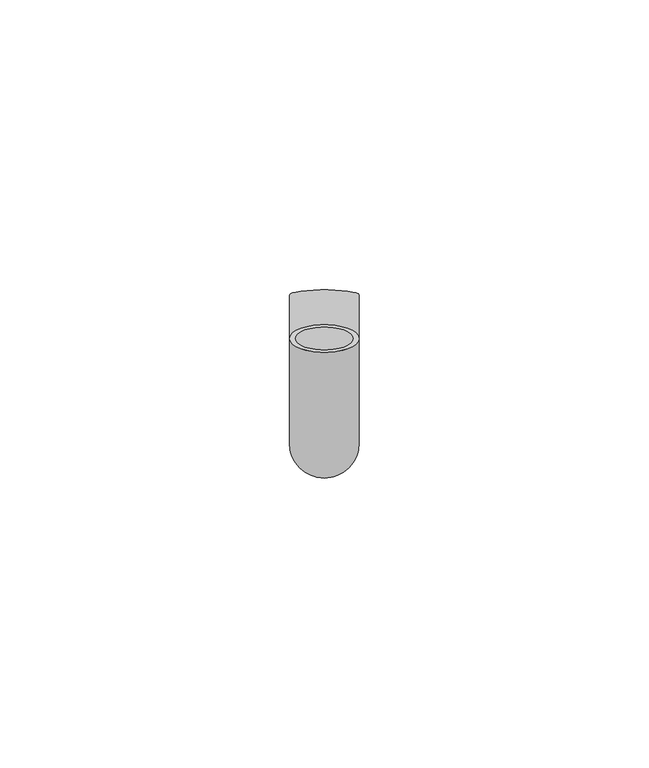
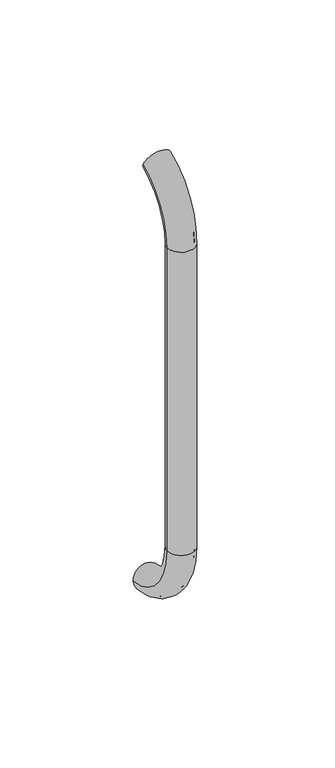
"""IFC4 building model written with IfcOpenShell, lengths in millimetres: beam geometry."""

from ifc_helpers import new_model, si_unit, point, frame, origin, place, context, project, spatial, polyline, circle_curve, ellipse_curve, trimmed, source, transform, mapped, element, save
from ifc_brep_helpers import plane_surface, cylinder_surface, revolved_surface, advanced_brep


def beam_fac276e9(model_context):
    return source(origin(), model_context, "Body", "AdvancedBrep", [
        advanced_brep(
        [(4661.4386176, 2444.0395554, 1993.7787656), (4673.4386176, 2444.0395554, 1993.7787656), (4662.4386176, 2444.0395554, 1993.7787656), (4672.4386176, 2444.0395554, 1993.7787656), (4672.4386176, 2425.9629385, 1966.25), (4662.4386176, 2425.9629385, 1966.25), (4673.4386176, 2425.9629385, 1966.25), (4661.4386176, 2425.9629385, 1966.25), (4662.4386176, 2425.9629385, 1826.25), (4672.4386176, 2425.9629385, 1826.25), (4661.4386176, 2425.9629385, 1826.25), (4673.4386176, 2425.9629385, 1826.25), (4661.4386176, 2451.5825147, 1796.5715249), (4673.4386176, 2451.5825147, 1796.5715249), (4662.4386176, 2451.5825147, 1796.5715249), (4672.4386176, 2451.5825147, 1796.5715249)],
        [
            (0, 1, circle_curve(frame((4667.4386176, 2444.0395554, 1993.7787656), z_axis=(0.0, 0.9176255197351176, 0.3974461039321624), x_axis=(1.0, 0.0, 0.0)), 6.0)),
            (1, 0, circle_curve(frame((4667.4386176, 2444.0395554, 1993.7787656), z_axis=(0.0, 0.9176255197351176, 0.3974461039321624), x_axis=(1.0, 0.0, 0.0)), 6.0)),
            (2, 3, circle_curve(frame((4667.4386176, 2444.0395554, 1993.7787656), z_axis=(0.0, -0.9176255197351176, -0.3974461039321624), x_axis=(1.0, 0.0, 0.0)), 5.0)),
            (3, 2, circle_curve(frame((4667.4386176, 2444.0395554, 1993.7787656), z_axis=(0.0, -0.9176255197351176, -0.3974461039321624), x_axis=(1.0, 0.0, 0.0)), 5.0)),
            (4, 3, circle_curve(frame((4672.4386176, 2455.9629385, 1966.25), z_axis=(-1.0, 0.0, 0.0), x_axis=(0.0, -0.3974461039321624, 0.9176255197351176)), 30.0)),
            (2, 5, circle_curve(frame((4662.4386176, 2455.9629385, 1966.25), z_axis=(1.0, 0.0, 0.0), x_axis=(0.0, -0.3974461039321624, 0.9176255197351176)), 30.0)),
            (5, 4, circle_curve(frame((4667.4386176, 2425.9629385, 1966.25), z_axis=(0.0, 0.0, -1.0), x_axis=(1.0, 0.0, 0.0)), 5.0)),
            (4, 5, circle_curve(frame((4667.4386176, 2425.9629385, 1966.25), z_axis=(0.0, 0.0, -1.0), x_axis=(1.0, 0.0, 0.0)), 5.0)),
            (6, 1, circle_curve(frame((4673.4386176, 2455.9629385, 1966.25), z_axis=(-1.0, 0.0, 0.0), x_axis=(0.0, -0.3974461039321624, 0.9176255197351176)), 30.0)),
            (0, 7, circle_curve(frame((4661.4386176, 2455.9629385, 1966.25), z_axis=(1.0, 0.0, 0.0), x_axis=(0.0, -0.3974461039321624, 0.9176255197351176)), 30.0)),
            (7, 6, circle_curve(frame((4667.4386176, 2425.9629385, 1966.25), z_axis=(0.0, 0.0, 1.0), x_axis=(1.0, 0.0, 0.0)), 6.0)),
            (6, 7, circle_curve(frame((4667.4386176, 2425.9629385, 1966.25), z_axis=(0.0, 0.0, 1.0), x_axis=(1.0, 0.0, 0.0)), 6.0)),
            (5, 8),
            (8, 9, circle_curve(frame((4667.4386176, 2425.9629385, 1826.25), z_axis=(0.0, 0.0, -1.0), x_axis=(1.0, 0.0, 0.0)), 5.0)),
            (9, 4),
            (9, 8, circle_curve(frame((4667.4386176, 2425.9629385, 1826.25), z_axis=(0.0, 0.0, -1.0), x_axis=(1.0, 0.0, 0.0)), 5.0)),
            (7, 10),
            (10, 11, circle_curve(frame((4667.4386176, 2425.9629385, 1826.25), z_axis=(0.0, 0.0, 1.0), x_axis=(1.0, 0.0, 0.0)), 6.0)),
            (11, 6),
            (11, 10, circle_curve(frame((4667.4386176, 2425.9629385, 1826.25), z_axis=(0.0, 0.0, 1.0), x_axis=(1.0, 0.0, 0.0)), 6.0)),
            (12, 13, circle_curve(frame((4667.4386176, 2451.5825147, 1796.5715249), z_axis=(0.0, 0.9892825047438852, -0.14601412879466394), x_axis=(1.0, 0.0, 0.0)), 6.0)),
            (13, 12, circle_curve(frame((4667.4386176, 2451.5825147, 1796.5715249), z_axis=(0.0, 0.9892825047438852, -0.14601412879466394), x_axis=(1.0, 0.0, 0.0)), 6.0)),
            (14, 15, circle_curve(frame((4667.4386176, 2451.5825147, 1796.5715249), z_axis=(0.0, -0.9892825047438852, 0.14601412879466394), x_axis=(1.0, 0.0, 0.0)), 5.0)),
            (15, 14, circle_curve(frame((4667.4386176, 2451.5825147, 1796.5715249), z_axis=(0.0, -0.9892825047438852, 0.14601412879466394), x_axis=(1.0, 0.0, 0.0)), 5.0)),
            (15, 9, circle_curve(frame((4672.4386176, 2455.9629385, 1826.25), z_axis=(-1.0, 0.0, 0.0), x_axis=(0.0, -1.0, 0.0)), 30.0)),
            (8, 14, circle_curve(frame((4662.4386176, 2455.9629385, 1826.25), z_axis=(1.0, 0.0, 0.0), x_axis=(0.0, -1.0, 0.0)), 30.0)),
            (13, 11, circle_curve(frame((4673.4386176, 2455.9629385, 1826.25), z_axis=(-1.0, 0.0, 0.0), x_axis=(0.0, -1.0, 0.0)), 30.0)),
            (10, 12, circle_curve(frame((4661.4386176, 2455.9629385, 1826.25), z_axis=(1.0, 0.0, 0.0), x_axis=(0.0, -1.0, 0.0)), 30.0)),
        ],
        [
            plane_surface(frame((4667.4386176, 2444.0395554, 1993.7787656), z_axis=(0.0, 0.9176255197351176, 0.3974461039321624), x_axis=(1.0, 0.0, 0.0))),
            revolved_surface(trimmed(ellipse_curve(frame((4667.4386176, 2444.0395554, 1993.7787656), z_axis=(0.0, -0.9176255197351176, -0.3974461039321624), x_axis=(1.0, 0.0, 0.0)), 5.0, 5.0), [point((4662.4386176, 2444.0395554, 1993.7787656))], [point((4672.4386176, 2444.0395554, 1993.7787656))], True, "CARTESIAN"), (4667.4386176, 2455.9629385, 1966.25), (1.0, 0.0, 0.0)),
            revolved_surface(trimmed(ellipse_curve(frame((4667.4386176, 2444.0395554, 1993.7787656), z_axis=(0.0, -0.9176255197351176, -0.3974461039321624), x_axis=(1.0, 0.0, 0.0)), 5.0, 5.0), [point((4672.4386176, 2444.0395554, 1993.7787656))], [point((4662.4386176, 2444.0395554, 1993.7787656))], True, "CARTESIAN"), (4667.4386176, 2455.9629385, 1966.25), (1.0, 0.0, 0.0)),
            revolved_surface(trimmed(ellipse_curve(frame((4667.4386176, 2444.0395554, 1993.7787656), z_axis=(0.0, 0.9176255197351176, 0.3974461039321624), x_axis=(1.0, 0.0, 0.0)), 6.0, 6.0), [point((4661.4386176, 2444.0395554, 1993.7787656))], [point((4673.4386176, 2444.0395554, 1993.7787656))], True, "CARTESIAN"), (4667.4386176, 2455.9629385, 1966.25), (1.0, 0.0, 0.0)),
            revolved_surface(trimmed(ellipse_curve(frame((4667.4386176, 2444.0395554, 1993.7787656), z_axis=(0.0, 0.9176255197351176, 0.3974461039321624), x_axis=(1.0, 0.0, 0.0)), 6.0, 6.0), [point((4673.4386176, 2444.0395554, 1993.7787656))], [point((4661.4386176, 2444.0395554, 1993.7787656))], True, "CARTESIAN"), (4667.4386176, 2455.9629385, 1966.25), (1.0, 0.0, 0.0)),
            revolved_surface(polyline([(4672.4386176, 2425.9629385, 1826.25), (4672.4386176, 2425.9629385, 1966.25)]), (4667.4386176, 2425.9629385, 1966.25), (0.0, 0.0, -1.0)),
            cylinder_surface(frame((4667.4386176, 2425.9629385, 1966.25), z_axis=(0.0, 0.0, 1.0), x_axis=(1.0, 0.0, 0.0)), 6.0),
            plane_surface(frame((4667.4386176, 2451.5825147, 1796.5715249), z_axis=(0.0, 0.9892825047438852, -0.14601412879466397), x_axis=(1.0, 0.0, 0.0))),
            revolved_surface(trimmed(ellipse_curve(frame((4667.4386176, 2425.9629385, 1826.25), z_axis=(0.0, 0.0, -1.0), x_axis=(1.0, 0.0, 0.0)), 5.0, 5.0), [point((4662.4386176, 2425.9629385, 1826.25))], [point((4672.4386176, 2425.9629385, 1826.25))], True, "CARTESIAN"), (4667.4386176, 2455.9629385, 1826.25), (1.0, 0.0, 0.0)),
            revolved_surface(trimmed(ellipse_curve(frame((4667.4386176, 2425.9629385, 1826.25), z_axis=(0.0, 0.0, -1.0), x_axis=(1.0, 0.0, 0.0)), 5.0, 5.0), [point((4672.4386176, 2425.9629385, 1826.25))], [point((4662.4386176, 2425.9629385, 1826.25))], True, "CARTESIAN"), (4667.4386176, 2455.9629385, 1826.25), (1.0, 0.0, 0.0)),
            revolved_surface(trimmed(ellipse_curve(frame((4667.4386176, 2425.9629385, 1826.25), z_axis=(0.0, 0.0, 1.0), x_axis=(1.0, 0.0, 0.0)), 6.0, 6.0), [point((4661.4386176, 2425.9629385, 1826.25))], [point((4673.4386176, 2425.9629385, 1826.25))], True, "CARTESIAN"), (4667.4386176, 2455.9629385, 1826.25), (1.0, 0.0, 0.0)),
            revolved_surface(trimmed(ellipse_curve(frame((4667.4386176, 2425.9629385, 1826.25), z_axis=(0.0, 0.0, 1.0), x_axis=(1.0, 0.0, 0.0)), 6.0, 6.0), [point((4673.4386176, 2425.9629385, 1826.25))], [point((4661.4386176, 2425.9629385, 1826.25))], True, "CARTESIAN"), (4667.4386176, 2455.9629385, 1826.25), (1.0, 0.0, 0.0)),
        ],
        [
            (0, [[1, 2], [3, 4]]),
            (1, [[5, -3, 6, 7]]),
            (2, [[-6, -4, -5, 8]]),
            (3, [[9, -1, 10, 11]]),
            (4, [[-10, -2, -9, 12]]),
            (5, [[-7, 13, 14, 15]]),
            (5, [[-8, -15, 16, -13]]),
            (6, [[-11, 17, 18, 19]]),
            (6, [[-12, -19, 20, -17]]),
            (7, [[21, 22], [23, 24]]),
            (8, [[25, -14, 26, -24]]),
            (9, [[-26, -16, -25, -23]]),
            (10, [[27, -18, 28, -22]]),
            (11, [[-28, -20, -27, -21]]),
        ],
    ),
    ])


if __name__ == "__main__":
    model = new_model("IFC4")
    model_context = context("Model", 3, world=origin())
    ifc_project = project(units=[si_unit("LENGTHUNIT", "METRE", prefix="MILLI")], contexts=[model_context])
    site = spatial("IfcSite", under=ifc_project)
    building = spatial("IfcBuilding", under=site)
    placement = place(None, origin())
    beam_shape = beam_fac276e9(model_context)
    element("IfcBeam", 1, at=placement, inside=building, context=model_context, shape_type="MappedRepresentation", body=[
        mapped(beam_shape, transform((0.0, 0.0, 0.0), x_axis=(1.0, 0.0, 0.0), y_axis=(0.0, 1.0, 0.0), z_axis=(0.0, 0.0, 1.0))),
    ])
    save(model, "model.ifc")
